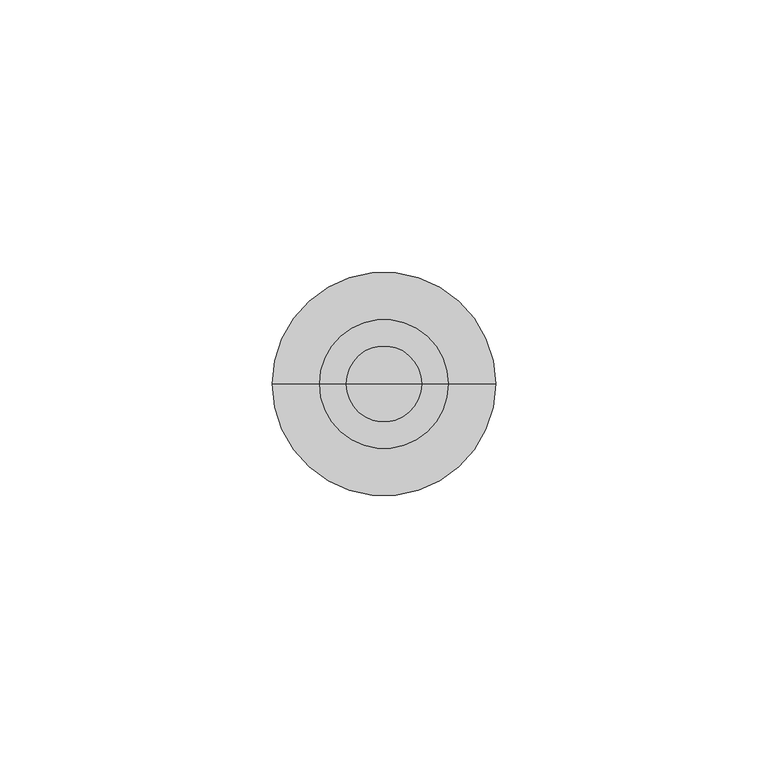
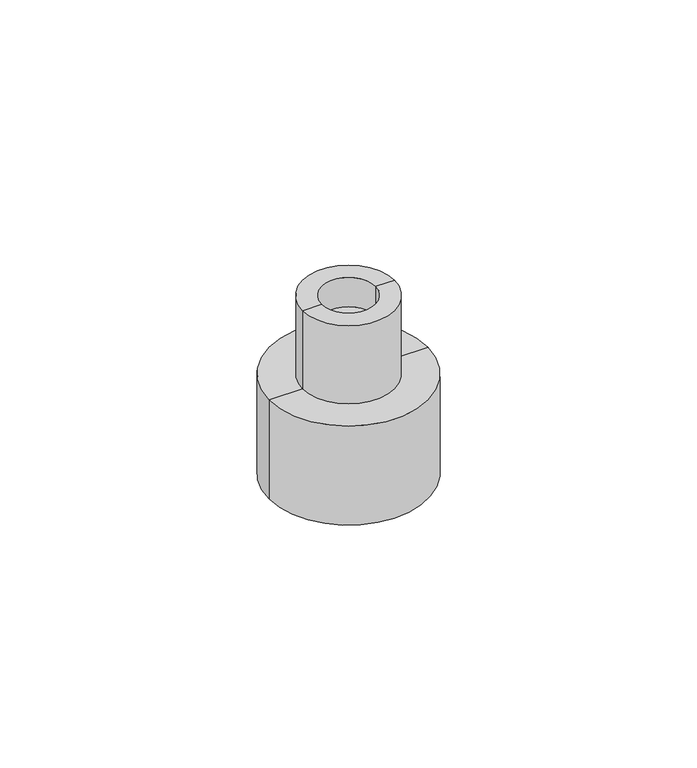
"""IFC4 building model written with IfcOpenShell, lengths in millimetres: proxy geometry."""

from ifc_helpers import new_model, si_unit, frame, origin, place, context, project, spatial, polyline, circle_curve, source, transform, mapped, element, save
from ifc_brep_helpers import plane_surface, cylinder_surface, revolved_surface, advanced_brep


def specialty_equipment_52ca86c7(model_context):
    return source(origin(), model_context, "Body", "AdvancedBrep", [
        advanced_brep(
        [(16.4, 0.0, -11.0), (-16.4, 0.0, -11.0), (-20.497058, 0.0, -11.0), (20.497058, 0.0, -11.0), (16.4, 0.0, 0.0), (-16.4, 0.0, 0.0), (0.0, 0.0, 0.0), (11.821039, 0.0, 37.406056), (-11.821039, 0.0, 37.406056), (-7.0, 0.0, 37.406056), (7.0, 0.0, 37.406056), (11.821039, 0.0, 16.0676423), (-11.821039, 0.0, 16.0676423), (20.497058, 0.0, 16.0676423), (-20.497058, 0.0, 16.0676423), (7.0, 0.0, 29.406056), (-7.0, 0.0, 29.406056), (0.0, 0.0, 29.406056)],
        [
            (0, 1, circle_curve(frame((0.0, 0.0, -11.0), z_axis=(0.0, 0.0, 1.0), x_axis=(-1.0, 0.0, 0.0)), 16.4)),
            (1, 2),
            (2, 3, circle_curve(frame((0.0, 0.0, -11.0), z_axis=(0.0, 0.0, -1.0), x_axis=(-1.0, 0.0, 0.0)), 20.497058)),
            (3, 0),
            (1, 0, circle_curve(frame((0.0, 0.0, -11.0), z_axis=(0.0, 0.0, 1.0), x_axis=(-1.0, 0.0, 0.0)), 16.4)),
            (3, 2, circle_curve(frame((0.0, 0.0, -11.0), z_axis=(0.0, 0.0, -1.0), x_axis=(-1.0, 0.0, 0.0)), 20.497058)),
            (4, 5, circle_curve(frame((0.0, 0.0, 0.0), z_axis=(0.0, 0.0, 1.0), x_axis=(-1.0, 0.0, 0.0)), 16.4)),
            (5, 1),
            (0, 4),
            (5, 4, circle_curve(frame((0.0, 0.0, 0.0), z_axis=(0.0, 0.0, 1.0), x_axis=(-1.0, 0.0, 0.0)), 16.4)),
            (6, 5),
            (4, 6),
            (7, 8, circle_curve(frame((0.0, 0.0, 37.406056), z_axis=(0.0, 0.0, 1.0), x_axis=(-1.0, 0.0, 0.0)), 11.821039)),
            (8, 9),
            (9, 10, circle_curve(frame((0.0, 0.0, 37.406056), z_axis=(0.0, 0.0, -1.0), x_axis=(-1.0, 0.0, 0.0)), 7.0)),
            (10, 7),
            (8, 7, circle_curve(frame((0.0, 0.0, 37.406056), z_axis=(0.0, 0.0, 1.0), x_axis=(-1.0, 0.0, 0.0)), 11.821039)),
            (10, 9, circle_curve(frame((0.0, 0.0, 37.406056), z_axis=(0.0, 0.0, -1.0), x_axis=(-1.0, 0.0, 0.0)), 7.0)),
            (11, 12, circle_curve(frame((0.0, 0.0, 16.0676423), z_axis=(0.0, 0.0, 1.0), x_axis=(-1.0, 0.0, 0.0)), 11.821039)),
            (12, 8),
            (7, 11),
            (12, 11, circle_curve(frame((0.0, 0.0, 16.0676423), z_axis=(0.0, 0.0, 1.0), x_axis=(-1.0, 0.0, 0.0)), 11.821039)),
            (13, 14, circle_curve(frame((0.0, 0.0, 16.0676423), z_axis=(0.0, 0.0, 1.0), x_axis=(-1.0, 0.0, 0.0)), 20.497058)),
            (14, 12),
            (11, 13),
            (14, 13, circle_curve(frame((0.0, 0.0, 16.0676423), z_axis=(0.0, 0.0, 1.0), x_axis=(-1.0, 0.0, 0.0)), 20.497058)),
            (2, 14),
            (13, 3),
            (15, 16, circle_curve(frame((0.0, 0.0, 29.406056), z_axis=(0.0, 0.0, 1.0), x_axis=(-1.0, 0.0, 0.0)), 7.0)),
            (16, 17),
            (17, 15),
            (16, 15, circle_curve(frame((0.0, 0.0, 29.406056), z_axis=(0.0, 0.0, 1.0), x_axis=(-1.0, 0.0, 0.0)), 7.0)),
            (9, 16),
            (15, 10),
        ],
        [
            plane_surface(frame((0.0, 0.0, -11.0), z_axis=(0.0, 0.0, -1.0), x_axis=(-1.0, 0.0, 0.0))),
            revolved_surface(polyline([(-16.4, 0.0, -11.0), (-16.4, 0.0, 0.0)]), (0.0, 0.0, 57.4649838), (0.0, 0.0, -1.0)),
            plane_surface(frame((0.0, 0.0, 0.0), z_axis=(0.0, 0.0, -1.0), x_axis=(-1.0, 0.0, 0.0))),
            plane_surface(frame((0.0, 0.0, 37.406056), z_axis=(0.0, 0.0, 1.0), x_axis=(-1.0, 0.0, 0.0))),
            cylinder_surface(frame((0.0, 0.0, 57.4649838), z_axis=(0.0, 0.0, -1.0), x_axis=(-1.0, 0.0, 0.0)), 11.821039),
            plane_surface(frame((0.0, 0.0, 16.0676423), z_axis=(0.0, 0.0, 1.0), x_axis=(-1.0, 0.0, 0.0))),
            cylinder_surface(frame((0.0, 0.0, 57.4649838), z_axis=(0.0, 0.0, -1.0), x_axis=(-1.0, 0.0, 0.0)), 20.497058),
            plane_surface(frame((0.0, 0.0, 29.406056), z_axis=(0.0, 0.0, 1.0), x_axis=(-1.0, 0.0, 0.0))),
            revolved_surface(polyline([(-7.0, 0.0, 29.406056), (-7.0, 0.0, 37.406056)]), (0.0, 0.0, 57.4649838), (0.0, 0.0, -1.0)),
        ],
        [
            (0, [[1, 2, 3, 4]]),
            (0, [[5, -4, 6, -2]]),
            (1, [[7, 8, -1, 9]]),
            (1, [[10, -9, -5, -8]]),
            (2, [[11, -7, 12]]),
            (2, [[-12, -10, -11]]),
            (3, [[13, 14, 15, 16]]),
            (3, [[17, -16, 18, -14]]),
            (4, [[19, 20, -13, 21]]),
            (4, [[22, -21, -17, -20]]),
            (5, [[23, 24, -19, 25]]),
            (5, [[26, -25, -22, -24]]),
            (6, [[-3, 27, -23, 28]]),
            (6, [[-6, -28, -26, -27]]),
            (7, [[29, 30, 31]]),
            (7, [[32, -31, -30]]),
            (8, [[-15, 33, -29, 34]]),
            (8, [[-18, -34, -32, -33]]),
        ],
    ),
    ])


if __name__ == "__main__":
    model = new_model("IFC4")
    model_context = context("Model", 3, world=origin())
    ifc_project = project(units=[si_unit("LENGTHUNIT", "METRE", prefix="MILLI")], contexts=[model_context])
    site = spatial("IfcSite", under=ifc_project)
    building = spatial("IfcBuilding", under=site)
    placement = place(None, origin())
    specialty_equipment_shape = specialty_equipment_52ca86c7(model_context)
    element("IfcBuildingElementProxy", 1, Name="Specialty Equipment", at=placement, inside=building, context=model_context, shape_type="MappedRepresentation", body=[
        mapped(specialty_equipment_shape, transform((0.0, 0.0, 0.0), x_axis=(1.0, 0.0, 0.0), y_axis=(0.0, 1.0, 0.0), z_axis=(0.0, 0.0, 1.0))),
    ])
    save(model, "model.ifc")
